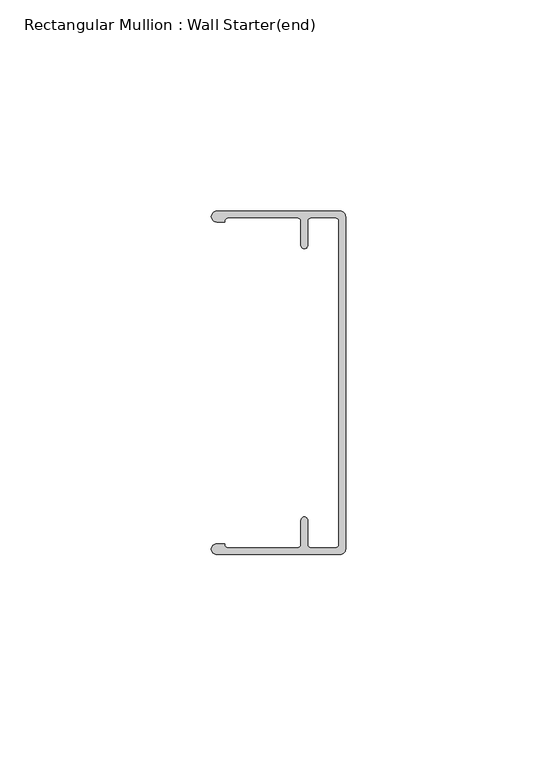
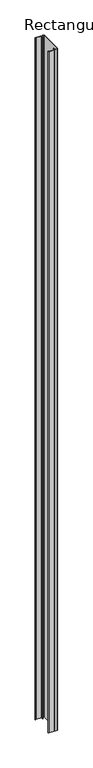
"""IFC4 building model written with IfcOpenShell, lengths in millimetres: member geometry, Rectangular Mullion : Wall Starter(end)."""

import ifcopenshell
import ifcopenshell.guid

model = None  # the IFC model being written
_history = None  # IfcOwnerHistory: only IFC2X3 demands one
_inside = {}  # id of a spatial element -> (the spatial element, [elements in it])
_under = {}  # id of a project, library or spatial element -> (it, [spatial elements below it])
_declared = {}  # id of a project -> (the project, [libraries it declares])
_typed = {}  # id of a type object -> (the type object, [elements of that type])
_made_of = {}  # id of a material, layer set ... -> (it, [elements and type objects made of it])


def new_model(schema):
    """Start an empty IFC model of exactly this schema.

    Asked for "IFC4X3", IfcOpenShell would pick the latest addendum, in which some entities
    have other attributes; the version numbers below select the first issue.
    IFC2X3 requires an IfcOwnerHistory on every rooted entity: one is made here for all.
    """
    global model, _history
    if schema == "IFC4X3":
        model = ifcopenshell.file(schema_version=(4, 3, 0, 0))
    else:
        model = ifcopenshell.file(schema=schema)
    _inside.clear()
    _under.clear()
    _declared.clear()
    _typed.clear()
    _made_of.clear()
    _history = None
    if model.schema == "IFC2X3":
        org = make("IfcOrganization", Name="unknown")
        user = make(
            "IfcPersonAndOrganization",
            ThePerson=make("IfcPerson", FamilyName="unknown"),
            TheOrganization=org,
        )
        app = make(
            "IfcApplication",
            ApplicationDeveloper=org,
            Version="unknown",
            ApplicationFullName="unknown",
            ApplicationIdentifier="unknown",
        )
        _history = make(
            "IfcOwnerHistory",
            OwningUser=user,
            OwningApplication=app,
            ChangeAction="ADDED",
            CreationDate=0,
        )
    return model


def make(cls, **values):
    """One entity of the class cls with the attributes given. An attribute that is None is left unset."""
    return model.create_entity(
        cls, **{name: value for name, value in values.items() if value is not None}
    )


def rooted(cls, **values):
    """An entity with a GlobalId (a new one), such as an element, a storey or a relation."""
    return make(cls, GlobalId=ifcopenshell.guid.new(), OwnerHistory=_history, **values)


def si_unit(unit_type, name, prefix=None):
    """IfcSIUnit, for example si_unit("LENGTHUNIT", "METRE", prefix="MILLI")."""
    return make("IfcSIUnit", UnitType=unit_type, Prefix=prefix, Name=name)


def assignment(units):
    """IfcUnitAssignment: the units of a project."""
    return None if units is None else make("IfcUnitAssignment", Units=units)


def point(xyz):
    """IfcCartesianPoint."""
    return None if xyz is None else make("IfcCartesianPoint", Coordinates=xyz)


def direction(xyz):
    """IfcDirection."""
    return None if xyz is None else make("IfcDirection", DirectionRatios=xyz)


def frame(location, z_axis=None, x_axis=None):
    """IfcAxis2Placement3D, a coordinate frame: its origin and axes. An axis left out is left unset."""
    return make(
        "IfcAxis2Placement3D",
        Location=point(location),
        Axis=direction(z_axis),
        RefDirection=direction(x_axis),
    )


def frame_2d(location, x_axis=None):
    """IfcAxis2Placement2D, a coordinate frame in the plane: its origin and x axis."""
    return make(
        "IfcAxis2Placement2D", Location=point(location), RefDirection=direction(x_axis)
    )


def origin():
    """The frame at (0, 0, 0) with its axes left unset."""
    return frame((0.0, 0.0, 0.0))


def place(relative_to, where):
    """IfcLocalPlacement: puts the frame where relative to a parent placement (None: the world)."""
    return make(
        "IfcLocalPlacement", PlacementRelTo=relative_to, RelativePlacement=where
    )


def context(
    kind, dimensions, precision=None, world=None, true_north=None, identifier=None
):
    """IfcGeometricRepresentationContext, for example the 3D "Model" context."""
    return make(
        "IfcGeometricRepresentationContext",
        ContextIdentifier=identifier,
        ContextType=kind,
        CoordinateSpaceDimension=dimensions,
        Precision=precision,
        WorldCoordinateSystem=world,
        TrueNorth=true_north,
    )


def project(units=None, contexts=None):
    """IfcProject with its units and contexts."""
    return rooted(
        "IfcProject",
        Name="project",
        RepresentationContexts=contexts,
        UnitsInContext=assignment(units),
    )


def spatial(cls, under=None, at=None, **own):
    """A site, building, storey or space (cls), placed at a placement, below another one or the project."""
    s = rooted(cls, ObjectPlacement=at, **own)
    if under is not None:
        _under.setdefault(under.id(), (under, []))[1].append(s)
    return s


def polyline(points):
    """IfcPolyline through the points."""
    return make("IfcPolyline", Points=[point(p) for p in points])


def circle_curve(where, radius):
    """IfcCircle in the frame where."""
    return make("IfcCircle", Position=where, Radius=radius)


def trimmed(basis, trim1, trim2, sense, master):
    """IfcTrimmedCurve: the piece of a basis curve between two trims."""
    return make(
        "IfcTrimmedCurve",
        BasisCurve=basis,
        Trim1=trim1,
        Trim2=trim2,
        SenseAgreement=sense,
        MasterRepresentation=master,
    )


def segment(curve, same_sense, transition):
    """IfcCompositeCurveSegment."""
    return make(
        "IfcCompositeCurveSegment",
        Transition=transition,
        SameSense=same_sense,
        ParentCurve=curve,
    )


def composite_curve(segments, self_intersect=None):
    """IfcCompositeCurve: segments joined end to end."""
    return make("IfcCompositeCurve", Segments=segments, SelfIntersect=self_intersect)


def outline(outer, holes=None, kind="AREA"):
    """IfcArbitraryClosedProfileDef: a profile drawn as a closed curve; with holes, ...WithVoids."""
    if holes is None:
        return make("IfcArbitraryClosedProfileDef", ProfileType=kind, OuterCurve=outer)
    return make(
        "IfcArbitraryProfileDefWithVoids",
        ProfileType=kind,
        OuterCurve=outer,
        InnerCurves=holes,
    )


def extrude(swept, where, along, depth):
    """IfcExtrudedAreaSolid: the profile swept, set in the frame where, extruded along a direction by depth."""
    return make(
        "IfcExtrudedAreaSolid",
        SweptArea=swept,
        Position=where,
        ExtrudedDirection=direction(along),
        Depth=depth,
    )


def shape(context_of_items, identifier, shape_type, items):
    """IfcShapeRepresentation: the items that make up one representation, for example the "Body"."""
    return make(
        "IfcShapeRepresentation",
        ContextOfItems=context_of_items,
        RepresentationIdentifier=identifier,
        RepresentationType=shape_type,
        Items=items,
    )


def source(mapping_origin, context_of_items, identifier, shape_type, items):
    """IfcRepresentationMap: a shape defined once, which mapped items show again and again."""
    return make(
        "IfcRepresentationMap",
        MappingOrigin=mapping_origin,
        MappedRepresentation=shape(context_of_items, identifier, shape_type, items),
    )


def transform(
    local_origin,
    x_axis=None,
    y_axis=None,
    z_axis=None,
    scale=None,
    scale2=None,
    scale3=None,
    uniform=True,
):
    """IfcCartesianTransformationOperator3D, or its non-uniform kind. x_axis, y_axis, z_axis: its Axis1, 2, 3."""
    if uniform:
        return make(
            "IfcCartesianTransformationOperator3D",
            Axis1=direction(x_axis),
            Axis2=direction(y_axis),
            LocalOrigin=point(local_origin),
            Scale=scale,
            Axis3=direction(z_axis),
        )
    return make(
        "IfcCartesianTransformationOperator3DnonUniform",
        Axis1=direction(x_axis),
        Axis2=direction(y_axis),
        LocalOrigin=point(local_origin),
        Scale=scale,
        Axis3=direction(z_axis),
        Scale2=scale2,
        Scale3=scale3,
    )


def mapped(mapping_source, mapping_target):
    """IfcMappedItem: shows the shape of a source again, moved by a transform."""
    return make(
        "IfcMappedItem", MappingSource=mapping_source, MappingTarget=mapping_target
    )


def made_of(thing, what):
    """Note that an element or type object is made of a material, layer set ...; save() writes the relation."""
    if what is not None:
        _made_of.setdefault(what.id(), (what, []))[1].append(thing)
    return thing


def element(
    cls,
    number,
    at=None,
    inside=None,
    cuts=None,
    type_object=None,
    material=None,
    context=None,
    identifier="Body",
    shape_type=None,
    held_by="IfcProductDefinitionShape",
    body=None,
    shapes=None,
    **own,
):
    """One element of the class cls, such as IfcWall. Its Tag is "e" and its number.

    at: its placement. inside: the storey or other place that contains it. cuts: it is an
    opening in that element (IfcRelVoidsElement). A single representation is given by context,
    identifier, shape_type and body (its items); several are given by shapes. held_by: the class
    of the entity that holds the representations. save() writes the other relations.
    """
    e = rooted(cls, Tag="e%d" % number, ObjectPlacement=at, **own)
    if body is not None:
        shapes = [shape(context, identifier, shape_type, body)]
    if shapes is not None:
        e.Representation = make(held_by, Representations=shapes)
    if inside is not None:
        _inside.setdefault(inside.id(), (inside, []))[1].append(e)
    if cuts is not None:
        rooted(
            "IfcRelVoidsElement", RelatingBuildingElement=cuts, RelatedOpeningElement=e
        )
    if type_object is not None:
        _typed.setdefault(type_object.id(), (type_object, []))[1].append(e)
    return made_of(e, material)


def aggregate(whole, parts):
    """IfcRelAggregates: a whole, such as a stair, and the parts it consists of."""
    return rooted("IfcRelAggregates", RelatingObject=whole, RelatedObjects=parts)


def save(model, path):
    """Write the relations noted so far, then the file.

    IfcRelAggregates (storeys below a building ...), IfcRelContainedInSpatialStructure (elements
    in a storey), IfcRelDefinesByType, IfcRelAssociatesMaterial and IfcRelDeclares: one each for
    every whole, place, type object, material and project.
    """
    for whole, parts in _under.values():
        aggregate(whole, parts)
    for where, things in _inside.values():
        rooted(
            "IfcRelContainedInSpatialStructure",
            RelatedElements=things,
            RelatingStructure=where,
        )
    for kind, things in _typed.values():
        rooted("IfcRelDefinesByType", RelatedObjects=things, RelatingType=kind)
    for what, things in _made_of.values():
        rooted("IfcRelAssociatesMaterial", RelatedObjects=things, RelatingMaterial=what)
    for by, libraries in _declared.values():
        rooted("IfcRelDeclares", RelatingContext=by, RelatedDefinitions=libraries)
    model.write(path)


def rectangular_mullion_wall_starter_end_1313c2d7(model_context):
    return source(origin(), model_context, "Body", "SweptSolid", [
        extrude(outline(composite_curve([segment(trimmed(circle_curve(frame_2d((-1.27, -39.37)), 1.27), [point((0.0, -39.37))], [point((-1.27, -40.64))], False, "CARTESIAN"), True, "CONTINUOUS"), segment(polyline([(-1.27, -40.64), (-30.48, -40.64)]), True, "CONTINUOUS"), segment(trimmed(circle_curve(frame_2d((-30.48, -39.37)), 1.27), [point((-30.48, -40.64))], [point((-30.48, -38.1))], False, "CARTESIAN"), True, "CONTINUOUS"), segment(polyline([(-30.48, -38.1), (-28.575, -38.1)]), True, "CONTINUOUS"), segment(trimmed(circle_curve(frame_2d((-27.7819543, -38.256818)), 0.8084017), [point((-28.575, -38.1))], [point((-27.7876, -39.0652))], True, "CARTESIAN"), True, "CONTINUOUS"), segment(polyline([(-27.7876, -39.0652), (-11.3284, -39.0652)]), True, "CONTINUOUS"), segment(trimmed(circle_curve(frame_2d((-11.3284, -38.2778)), 0.7874), [point((-11.3284, -39.0652))], [point((-10.541, -38.2778))], True, "CARTESIAN"), True, "CONTINUOUS"), segment(polyline([(-10.541, -38.2778), (-10.541, -32.5374)]), True, "CONTINUOUS"), segment(trimmed(circle_curve(frame_2d((-9.7536, -32.5374)), 0.7874), [point((-10.541, -32.5374))], [point((-8.9662, -32.5374))], False, "CARTESIAN"), True, "CONTINUOUS"), segment(polyline([(-8.9662, -32.5374), (-8.9662, -38.2778)]), True, "CONTINUOUS"), segment(trimmed(circle_curve(frame_2d((-8.1788, -38.2778)), 0.7874), [point((-8.9662, -38.2778))], [point((-8.1788, -39.0652))], True, "CARTESIAN"), True, "CONTINUOUS"), segment(polyline([(-8.1788, -39.0652), (-2.3622, -39.0652)]), True, "CONTINUOUS"), segment(trimmed(circle_curve(frame_2d((-2.3622, -38.2778)), 0.7874), [point((-2.3622, -39.0652))], [point((-1.5748, -38.2778))], True, "CARTESIAN"), True, "CONTINUOUS"), segment(polyline([(-1.5748, -38.2778), (-1.5748, 38.2778)]), True, "CONTINUOUS"), segment(trimmed(circle_curve(frame_2d((-2.3622, 38.2778)), 0.7874), [point((-1.5748, 38.2778))], [point((-2.3622, 39.0652))], True, "CARTESIAN"), True, "CONTINUOUS"), segment(polyline([(-2.3622, 39.0652), (-8.1788, 39.0652)]), True, "CONTINUOUS"), segment(trimmed(circle_curve(frame_2d((-8.1788, 38.2778)), 0.7874), [point((-8.1788, 39.0652))], [point((-8.9662, 38.2778))], True, "CARTESIAN"), True, "CONTINUOUS"), segment(polyline([(-8.9662, 38.2778), (-8.9662, 32.5374)]), True, "CONTINUOUS"), segment(trimmed(circle_curve(frame_2d((-9.7536, 32.5374)), 0.7874), [point((-8.9662, 32.5374))], [point((-10.541, 32.5374))], False, "CARTESIAN"), True, "CONTINUOUS"), segment(polyline([(-10.541, 32.5374), (-10.541, 38.2778)]), True, "CONTINUOUS"), segment(trimmed(circle_curve(frame_2d((-11.3284, 38.2778)), 0.7874), [point((-10.541, 38.2778))], [point((-11.3284, 39.0652))], True, "CARTESIAN"), True, "CONTINUOUS"), segment(polyline([(-11.3284, 39.0652), (-27.7876, 39.0652)]), True, "CONTINUOUS"), segment(trimmed(circle_curve(frame_2d((-27.7773547, 38.2530657)), 0.8121989), [point((-27.7876, 39.0652))], [point((-28.575, 38.1))], True, "CARTESIAN"), True, "CONTINUOUS"), segment(polyline([(-28.575, 38.1), (-30.48, 38.1)]), True, "CONTINUOUS"), segment(trimmed(circle_curve(frame_2d((-30.48, 39.37)), 1.27), [point((-30.48, 38.1))], [point((-30.48, 40.64))], False, "CARTESIAN"), True, "CONTINUOUS"), segment(polyline([(-30.48, 40.64), (-1.27, 40.64)]), True, "CONTINUOUS"), segment(trimmed(circle_curve(frame_2d((-1.27, 39.37)), 1.27), [point((-1.27, 40.64))], [point((0.0, 39.37))], False, "CARTESIAN"), True, "CONTINUOUS"), segment(polyline([(0.0, 39.37), (0.0, -39.37)]), True, "CONTINUOUS")], self_intersect=False)), frame((0.0, 0.0, -2438.4), z_axis=(0.0, 0.0, 1.0), x_axis=(1.0, 0.0, 0.0)), (0.0, 0.0, 1.0), 2438.4),
    ])


if __name__ == "__main__":
    model = new_model("IFC4")
    model_context = context("Model", 3, world=origin())
    ifc_project = project(units=[si_unit("LENGTHUNIT", "METRE", prefix="MILLI")], contexts=[model_context])
    site = spatial("IfcSite", under=ifc_project)
    building = spatial("IfcBuilding", under=site)
    placement = place(None, origin())
    rectangular_mullion_wall_starter_end_shape = rectangular_mullion_wall_starter_end_1313c2d7(model_context)
    element("IfcMember", 1, ObjectType="Rectangular Mullion : Wall Starter(end)", at=placement, inside=building, context=model_context, shape_type="MappedRepresentation", body=[
        mapped(rectangular_mullion_wall_starter_end_shape, transform((0.0, 0.0, 0.0), x_axis=(1.0, 0.0, 0.0), y_axis=(0.0, 1.0, 0.0), z_axis=(0.0, 0.0, 1.0))),
    ])
    save(model, "model.ifc")
